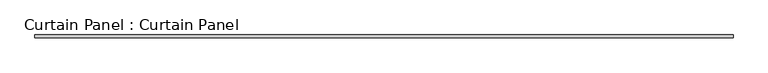
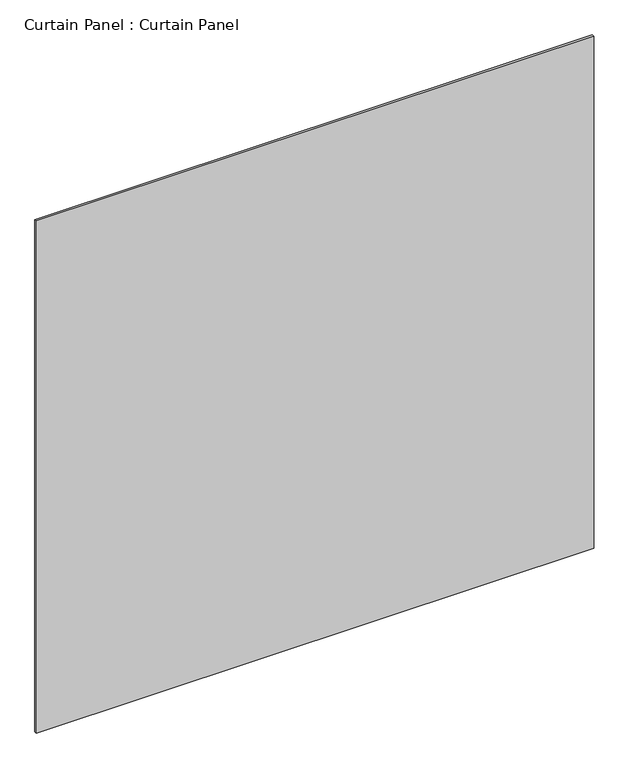
"""IFC4 building model written with IfcOpenShell, lengths in millimetres: plate geometry, Curtain Panel : Curtain Panel."""

import ifcopenshell
import ifcopenshell.guid

model = None  # the IFC model being written
_history = None  # IfcOwnerHistory: only IFC2X3 demands one
_inside = {}  # id of a spatial element -> (the spatial element, [elements in it])
_under = {}  # id of a project, library or spatial element -> (it, [spatial elements below it])
_declared = {}  # id of a project -> (the project, [libraries it declares])
_typed = {}  # id of a type object -> (the type object, [elements of that type])
_made_of = {}  # id of a material, layer set ... -> (it, [elements and type objects made of it])


def new_model(schema):
    """Start an empty IFC model of exactly this schema.

    Asked for "IFC4X3", IfcOpenShell would pick the latest addendum, in which some entities
    have other attributes; the version numbers below select the first issue.
    IFC2X3 requires an IfcOwnerHistory on every rooted entity: one is made here for all.
    """
    global model, _history
    if schema == "IFC4X3":
        model = ifcopenshell.file(schema_version=(4, 3, 0, 0))
    else:
        model = ifcopenshell.file(schema=schema)
    _inside.clear()
    _under.clear()
    _declared.clear()
    _typed.clear()
    _made_of.clear()
    _history = None
    if model.schema == "IFC2X3":
        org = make("IfcOrganization", Name="unknown")
        user = make(
            "IfcPersonAndOrganization",
            ThePerson=make("IfcPerson", FamilyName="unknown"),
            TheOrganization=org,
        )
        app = make(
            "IfcApplication",
            ApplicationDeveloper=org,
            Version="unknown",
            ApplicationFullName="unknown",
            ApplicationIdentifier="unknown",
        )
        _history = make(
            "IfcOwnerHistory",
            OwningUser=user,
            OwningApplication=app,
            ChangeAction="ADDED",
            CreationDate=0,
        )
    return model


def make(cls, **values):
    """One entity of the class cls with the attributes given. An attribute that is None is left unset."""
    return model.create_entity(
        cls, **{name: value for name, value in values.items() if value is not None}
    )


def rooted(cls, **values):
    """An entity with a GlobalId (a new one), such as an element, a storey or a relation."""
    return make(cls, GlobalId=ifcopenshell.guid.new(), OwnerHistory=_history, **values)


def si_unit(unit_type, name, prefix=None):
    """IfcSIUnit, for example si_unit("LENGTHUNIT", "METRE", prefix="MILLI")."""
    return make("IfcSIUnit", UnitType=unit_type, Prefix=prefix, Name=name)


def assignment(units):
    """IfcUnitAssignment: the units of a project."""
    return None if units is None else make("IfcUnitAssignment", Units=units)


def point(xyz):
    """IfcCartesianPoint."""
    return None if xyz is None else make("IfcCartesianPoint", Coordinates=xyz)


def direction(xyz):
    """IfcDirection."""
    return None if xyz is None else make("IfcDirection", DirectionRatios=xyz)


def frame(location, z_axis=None, x_axis=None):
    """IfcAxis2Placement3D, a coordinate frame: its origin and axes. An axis left out is left unset."""
    return make(
        "IfcAxis2Placement3D",
        Location=point(location),
        Axis=direction(z_axis),
        RefDirection=direction(x_axis),
    )


def origin():
    """The frame at (0, 0, 0) with its axes left unset."""
    return frame((0.0, 0.0, 0.0))


def place(relative_to, where):
    """IfcLocalPlacement: puts the frame where relative to a parent placement (None: the world)."""
    return make(
        "IfcLocalPlacement", PlacementRelTo=relative_to, RelativePlacement=where
    )


def context(
    kind, dimensions, precision=None, world=None, true_north=None, identifier=None
):
    """IfcGeometricRepresentationContext, for example the 3D "Model" context."""
    return make(
        "IfcGeometricRepresentationContext",
        ContextIdentifier=identifier,
        ContextType=kind,
        CoordinateSpaceDimension=dimensions,
        Precision=precision,
        WorldCoordinateSystem=world,
        TrueNorth=true_north,
    )


def project(units=None, contexts=None):
    """IfcProject with its units and contexts."""
    return rooted(
        "IfcProject",
        Name="project",
        RepresentationContexts=contexts,
        UnitsInContext=assignment(units),
    )


def spatial(cls, under=None, at=None, **own):
    """A site, building, storey or space (cls), placed at a placement, below another one or the project."""
    s = rooted(cls, ObjectPlacement=at, **own)
    if under is not None:
        _under.setdefault(under.id(), (under, []))[1].append(s)
    return s


def polyline(points):
    """IfcPolyline through the points."""
    return make("IfcPolyline", Points=[point(p) for p in points])


def outline(outer, holes=None, kind="AREA"):
    """IfcArbitraryClosedProfileDef: a profile drawn as a closed curve; with holes, ...WithVoids."""
    if holes is None:
        return make("IfcArbitraryClosedProfileDef", ProfileType=kind, OuterCurve=outer)
    return make(
        "IfcArbitraryProfileDefWithVoids",
        ProfileType=kind,
        OuterCurve=outer,
        InnerCurves=holes,
    )


def extrude(swept, where, along, depth):
    """IfcExtrudedAreaSolid: the profile swept, set in the frame where, extruded along a direction by depth."""
    return make(
        "IfcExtrudedAreaSolid",
        SweptArea=swept,
        Position=where,
        ExtrudedDirection=direction(along),
        Depth=depth,
    )


def shape(context_of_items, identifier, shape_type, items):
    """IfcShapeRepresentation: the items that make up one representation, for example the "Body"."""
    return make(
        "IfcShapeRepresentation",
        ContextOfItems=context_of_items,
        RepresentationIdentifier=identifier,
        RepresentationType=shape_type,
        Items=items,
    )


def source(mapping_origin, context_of_items, identifier, shape_type, items):
    """IfcRepresentationMap: a shape defined once, which mapped items show again and again."""
    return make(
        "IfcRepresentationMap",
        MappingOrigin=mapping_origin,
        MappedRepresentation=shape(context_of_items, identifier, shape_type, items),
    )


def transform(
    local_origin,
    x_axis=None,
    y_axis=None,
    z_axis=None,
    scale=None,
    scale2=None,
    scale3=None,
    uniform=True,
):
    """IfcCartesianTransformationOperator3D, or its non-uniform kind. x_axis, y_axis, z_axis: its Axis1, 2, 3."""
    if uniform:
        return make(
            "IfcCartesianTransformationOperator3D",
            Axis1=direction(x_axis),
            Axis2=direction(y_axis),
            LocalOrigin=point(local_origin),
            Scale=scale,
            Axis3=direction(z_axis),
        )
    return make(
        "IfcCartesianTransformationOperator3DnonUniform",
        Axis1=direction(x_axis),
        Axis2=direction(y_axis),
        LocalOrigin=point(local_origin),
        Scale=scale,
        Axis3=direction(z_axis),
        Scale2=scale2,
        Scale3=scale3,
    )


def mapped(mapping_source, mapping_target):
    """IfcMappedItem: shows the shape of a source again, moved by a transform."""
    return make(
        "IfcMappedItem", MappingSource=mapping_source, MappingTarget=mapping_target
    )


def made_of(thing, what):
    """Note that an element or type object is made of a material, layer set ...; save() writes the relation."""
    if what is not None:
        _made_of.setdefault(what.id(), (what, []))[1].append(thing)
    return thing


def element(
    cls,
    number,
    at=None,
    inside=None,
    cuts=None,
    type_object=None,
    material=None,
    context=None,
    identifier="Body",
    shape_type=None,
    held_by="IfcProductDefinitionShape",
    body=None,
    shapes=None,
    **own,
):
    """One element of the class cls, such as IfcWall. Its Tag is "e" and its number.

    at: its placement. inside: the storey or other place that contains it. cuts: it is an
    opening in that element (IfcRelVoidsElement). A single representation is given by context,
    identifier, shape_type and body (its items); several are given by shapes. held_by: the class
    of the entity that holds the representations. save() writes the other relations.
    """
    e = rooted(cls, Tag="e%d" % number, ObjectPlacement=at, **own)
    if body is not None:
        shapes = [shape(context, identifier, shape_type, body)]
    if shapes is not None:
        e.Representation = make(held_by, Representations=shapes)
    if inside is not None:
        _inside.setdefault(inside.id(), (inside, []))[1].append(e)
    if cuts is not None:
        rooted(
            "IfcRelVoidsElement", RelatingBuildingElement=cuts, RelatedOpeningElement=e
        )
    if type_object is not None:
        _typed.setdefault(type_object.id(), (type_object, []))[1].append(e)
    return made_of(e, material)


def aggregate(whole, parts):
    """IfcRelAggregates: a whole, such as a stair, and the parts it consists of."""
    return rooted("IfcRelAggregates", RelatingObject=whole, RelatedObjects=parts)


def save(model, path):
    """Write the relations noted so far, then the file.

    IfcRelAggregates (storeys below a building ...), IfcRelContainedInSpatialStructure (elements
    in a storey), IfcRelDefinesByType, IfcRelAssociatesMaterial and IfcRelDeclares: one each for
    every whole, place, type object, material and project.
    """
    for whole, parts in _under.values():
        aggregate(whole, parts)
    for where, things in _inside.values():
        rooted(
            "IfcRelContainedInSpatialStructure",
            RelatedElements=things,
            RelatingStructure=where,
        )
    for kind, things in _typed.values():
        rooted("IfcRelDefinesByType", RelatedObjects=things, RelatingType=kind)
    for what, things in _made_of.values():
        rooted("IfcRelAssociatesMaterial", RelatedObjects=things, RelatingMaterial=what)
    for by, libraries in _declared.values():
        rooted("IfcRelDeclares", RelatingContext=by, RelatedDefinitions=libraries)
    model.write(path)


def curtain_panel_curtain_panel_d16a6102(model_context):
    return source(origin(), model_context, "Body", "SweptSolid", [
        extrude(outline(polyline([(-365227.9652248, 3486.6118683), (-366681.8981234, 3486.6118683), (-366681.8981234, 3492.9618683), (-365227.9652248, 3492.9618683), (-365227.9652248, 3486.6118683)])), frame((0.0, 0.0, 1533.5251132), z_axis=(0.0, 0.0, 1.0), x_axis=(1.0, 0.0, 0.0)), (0.0, 0.0, 1.0), 1412.3851068),
    ])


if __name__ == "__main__":
    model = new_model("IFC4")
    model_context = context("Model", 3, world=origin())
    ifc_project = project(units=[si_unit("LENGTHUNIT", "METRE", prefix="MILLI")], contexts=[model_context])
    site = spatial("IfcSite", under=ifc_project)
    building = spatial("IfcBuilding", under=site)
    placement = place(None, origin())
    curtain_panel_curtain_panel_shape = curtain_panel_curtain_panel_d16a6102(model_context)
    element("IfcPlate", 1, ObjectType="Curtain Panel : Curtain Panel", at=placement, inside=building, context=model_context, shape_type="MappedRepresentation", body=[
        mapped(curtain_panel_curtain_panel_shape, transform((0.0, 0.0, 0.0), x_axis=(1.0, 0.0, 0.0), y_axis=(0.0, 1.0, 0.0), z_axis=(0.0, 0.0, 1.0))),
    ])
    save(model, "model.ifc")
